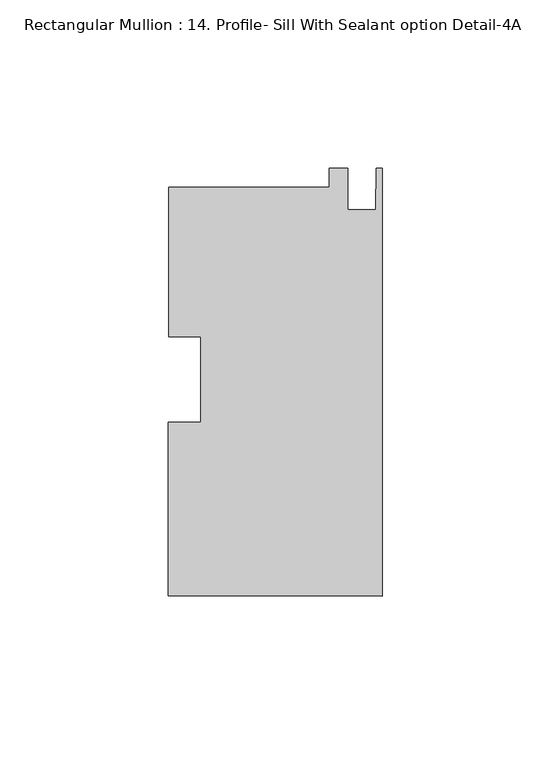
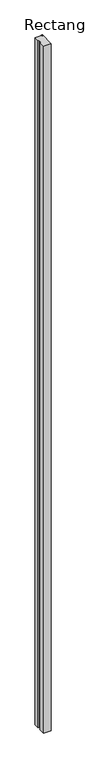
"""IFC4 building model written with IfcOpenShell, lengths in millimetres: member geometry, Rectangular Mullion : 14. Profile- Sill With Sealant option Detail-4A."""

from ifc_helpers import new_model, si_unit, frame, origin, place, context, project, spatial, polyline, outline, extrude, source, transform, mapped, element, save


def rectangular_mullion_14_profile_sill_with_sealant_option_45e68635(model_context):
    return source(origin(), model_context, "Body", "SweptSolid", [
        extrude(outline(polyline([(-0.0760258, -62.7211095), (-63.5760145, -62.6830966), (-63.5451657, -11.150645), (-54.0201674, -11.1563469), (-54.0049097, 14.3313469), (-63.529908, 14.3370488), (-63.5033186, 58.7542817), (-15.8727699, 58.7257686), (-15.8694399, 64.2883676), (-10.3123982, 64.285041), (-10.3197879, 51.9406432), (-2.0393893, 51.9356864), (-1.7779997, 64.2799321), (0.0, 64.2788677), (-0.0760258, -62.7211095)])), frame((0.0, 0.0, -6000.75), z_axis=(0.0, 0.0, 1.0), x_axis=(1.0, 0.0, 0.0)), (0.0, 0.0, 1.0), 6000.75),
    ])


if __name__ == "__main__":
    model = new_model("IFC4")
    model_context = context("Model", 3, world=origin())
    ifc_project = project(units=[si_unit("LENGTHUNIT", "METRE", prefix="MILLI")], contexts=[model_context])
    site = spatial("IfcSite", under=ifc_project)
    building = spatial("IfcBuilding", under=site)
    placement = place(None, origin())
    rectangular_mullion_14_profile_sill_with_sealant_option_shape = rectangular_mullion_14_profile_sill_with_sealant_option_45e68635(model_context)
    element("IfcMember", 1, ObjectType="Rectangular Mullion : 14. Profile- Sill With Sealant option Detail-4A", at=placement, inside=building, context=model_context, shape_type="MappedRepresentation", body=[
        mapped(rectangular_mullion_14_profile_sill_with_sealant_option_shape, transform((0.0, 0.0, 0.0), x_axis=(1.0, 0.0, 0.0), y_axis=(0.0, 1.0, 0.0), z_axis=(0.0, 0.0, 1.0))),
    ])
    save(model, "model.ifc")
